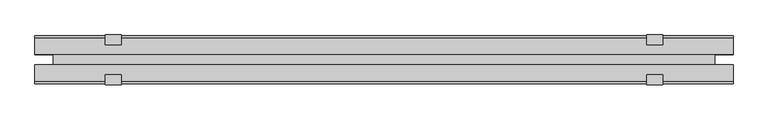
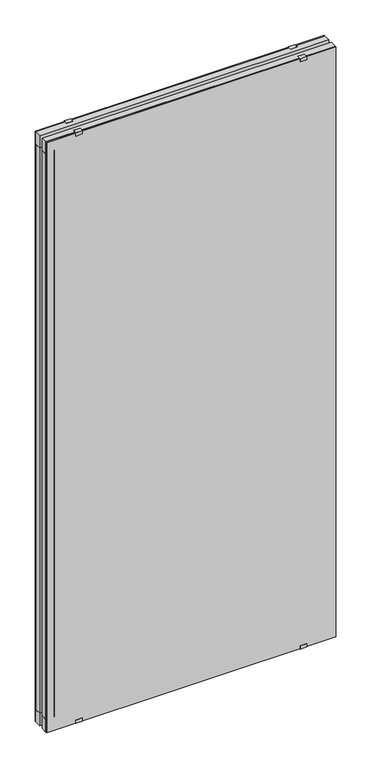
"""IFC4 building model written with IfcOpenShell, lengths in millimetres: plate geometry."""

from ifc_helpers import new_model, si_unit, frame, origin, origin_with_axes, place, context, project, spatial, polyline, outline, extrude, source, transform, mapped, element, save


def plate_16008a74(model_context):
    return source(origin(), model_context, "Body", "SweptSolid", [
        extrude(outline(polyline([(668.4166668, -10.0), (668.4166668, -41.0), (-668.4166668, -41.0), (-668.4166668, -10.0), (668.4166668, -10.0)])), origin_with_axes(), (0.0, 0.0, 1.0), 60.0),
        extrude(outline(polyline([(668.4166668, 41.0), (668.4166668, 10.0), (-668.4166668, 10.0), (-668.4166668, 41.0), (668.4166668, 41.0)])), origin_with_axes(), (0.0, 0.0, 1.0), 60.0),
        extrude(outline(polyline([(668.4166668, -10.0), (668.4166668, -41.0), (-668.4166668, -41.0), (-668.4166668, -10.0), (668.4166668, -10.0)])), frame((0.0, 0.0, 2825.0), z_axis=(0.0, 0.0, 1.0), x_axis=(1.0, 0.0, 0.0)), (0.0, 0.0, 1.0), 60.0),
        extrude(outline(polyline([(668.4166668, 41.0), (668.4166668, 10.0), (-668.4166668, 10.0), (-668.4166668, 41.0), (668.4166668, 41.0)])), frame((0.0, 0.0, 2825.0), z_axis=(0.0, 0.0, 1.0), x_axis=(1.0, 0.0, 0.0)), (0.0, 0.0, 1.0), 60.0),
        extrude(outline(polyline([(632.9166668, -10.0), (-632.9166668, -10.0), (-632.9166668, 10.0), (632.9166668, 10.0), (632.9166668, -10.0)])), frame((0.0, 0.0, 28.0), z_axis=(0.0, 0.0, 1.0), x_axis=(1.0, 0.0, 0.0)), (0.0, 0.0, 1.0), 2829.0),
        extrude(outline(polyline([(668.4166668, 41.0), (-668.4166668, 41.0), (-668.4166668, 46.0), (668.4166668, 46.0), (668.4166668, 41.0)])), origin_with_axes(), (0.0, 0.0, 1.0), 2885.0),
        extrude(outline(polyline([(-668.4166668, -46.0), (-668.4166668, -41.0), (668.4166668, -41.0), (668.4166668, -46.0), (-668.4166668, -46.0)])), origin_with_axes(), (0.0, 0.0, 1.0), 2885.0),
        extrude(outline(polyline([(608.6535942, -10.0), (668.4166668, -10.0), (668.4166668, -41.0), (629.1600011, -41.0), (608.6535942, -13.4129412), (608.6535942, -10.0)])), frame((0.0, 0.0, 60.0), z_axis=(0.0, 0.0, 1.0), x_axis=(1.0, 0.0, 0.0)), (0.0, 0.0, 1.0), 2765.0),
        extrude(outline(polyline([(608.6535942, 10.0), (608.6535942, 13.4129412), (629.1600011, 41.0), (668.4166668, 41.0), (668.4166668, 10.0), (608.6535942, 10.0)])), frame((0.0, 0.0, 60.0), z_axis=(0.0, 0.0, 1.0), x_axis=(1.0, 0.0, 0.0)), (0.0, 0.0, 1.0), 2765.0),
        extrude(outline(polyline([(-608.6535942, -10.0), (-608.6535942, -13.4129412), (-629.1600011, -41.0), (-668.4166668, -41.0), (-668.4166668, -10.0), (-608.6535942, -10.0)])), frame((0.0, 0.0, 60.0), z_axis=(0.0, 0.0, 1.0), x_axis=(1.0, 0.0, 0.0)), (0.0, 0.0, 1.0), 2765.0),
        extrude(outline(polyline([(-608.6535942, 10.0), (-668.4166668, 10.0), (-668.4166668, 41.0), (-629.1600011, 41.0), (-608.6535942, 13.4129412), (-608.6535942, 10.0)])), frame((0.0, 0.0, 60.0), z_axis=(0.0, 0.0, 1.0), x_axis=(1.0, 0.0, 0.0)), (0.0, 0.0, 1.0), 2765.0),
        extrude(outline(polyline([(-47.5, 2886.5), (-29.0, 2886.5), (-29.0, 2885.0), (-46.0, 2885.0), (-46.0, 2870.0), (-47.5, 2870.0), (-47.5, 2886.5)])), frame((-533.4166668, 0.0, 0.0), z_axis=(1.0, 0.0, 0.0), x_axis=(0.0, 1.0, 0.0)), (0.0, 0.0, 1.0), 30.0),
        extrude(outline(polyline([(47.5, 2870.0), (46.0, 2870.0), (46.0, 2885.0), (29.0, 2885.0), (29.0, 2886.5), (47.5, 2886.5), (47.5, 2870.0)])), frame((-533.4166668, 0.0, 0.0), z_axis=(1.0, 0.0, 0.0), x_axis=(0.0, 1.0, 0.0)), (0.0, 0.0, 1.0), 30.0),
        extrude(outline(polyline([(-47.1, 15.0), (-46.0, 15.0), (-46.0, 0.0), (-31.0, 0.0), (-31.0, -1.2), (-47.1, -1.2), (-47.1, 15.0)])), frame((-533.4166668, 0.0, 0.0), z_axis=(1.0, 0.0, 0.0), x_axis=(0.0, 1.0, 0.0)), (0.0, 0.0, 1.0), 30.0),
        extrude(outline(polyline([(47.1, -1.2), (31.0, -1.2), (31.0, 0.0), (46.0, 0.0), (46.0, 15.0), (47.1, 15.0), (47.1, -1.2)])), frame((-533.4166668, 0.0, 0.0), z_axis=(1.0, 0.0, 0.0), x_axis=(0.0, 1.0, 0.0)), (0.0, 0.0, 1.0), 30.0),
        extrude(outline(polyline([(-47.5, 2886.5), (-29.0, 2886.5), (-29.0, 2885.0), (-46.0, 2885.0), (-46.0, 2870.0), (-47.5, 2870.0), (-47.5, 2886.5)])), frame((503.4166668, 0.0, 0.0), z_axis=(1.0, 0.0, 0.0), x_axis=(0.0, 1.0, 0.0)), (0.0, 0.0, 1.0), 30.0),
        extrude(outline(polyline([(29.0, 2886.5), (47.5, 2886.5), (47.5, 2870.0), (46.0, 2870.0), (46.0, 2885.0), (29.0, 2885.0), (29.0, 2886.5)])), frame((503.4166668, 0.0, 0.0), z_axis=(1.0, 0.0, 0.0), x_axis=(0.0, 1.0, 0.0)), (0.0, 0.0, 1.0), 30.0),
        extrude(outline(polyline([(-47.1, 15.0), (-46.0, 15.0), (-46.0, 0.0), (-31.0, 0.0), (-31.0, -1.2), (-47.1, -1.2), (-47.1, 15.0)])), frame((503.4166668, 0.0, 0.0), z_axis=(1.0, 0.0, 0.0), x_axis=(0.0, 1.0, 0.0)), (0.0, 0.0, 1.0), 30.0),
        extrude(outline(polyline([(47.1, -1.2), (31.0, -1.2), (31.0, 0.0), (46.0, 0.0), (46.0, 15.0), (47.1, 15.0), (47.1, -1.2)])), frame((503.4166668, 0.0, 0.0), z_axis=(1.0, 0.0, 0.0), x_axis=(0.0, 1.0, 0.0)), (0.0, 0.0, 1.0), 30.0),
    ])


if __name__ == "__main__":
    model = new_model("IFC4")
    model_context = context("Model", 3, world=origin())
    ifc_project = project(units=[si_unit("LENGTHUNIT", "METRE", prefix="MILLI")], contexts=[model_context])
    site = spatial("IfcSite", under=ifc_project)
    building = spatial("IfcBuilding", under=site)
    placement = place(None, origin())
    plate_shape = plate_16008a74(model_context)
    element("IfcPlate", 1, at=placement, inside=building, context=model_context, shape_type="MappedRepresentation", body=[
        mapped(plate_shape, transform((0.0, 0.0, 0.0), x_axis=(1.0, 0.0, 0.0), y_axis=(0.0, 1.0, 0.0), z_axis=(0.0, 0.0, 1.0))),
    ])
    save(model, "model.ifc")
